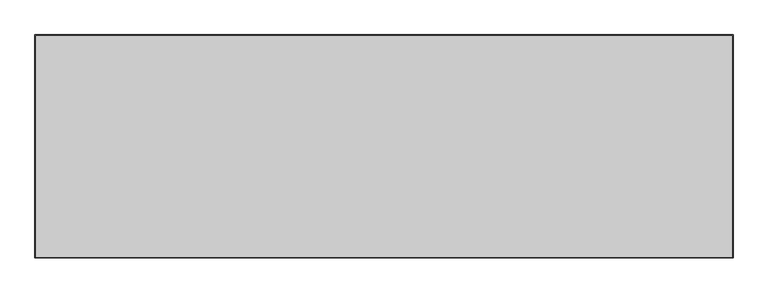
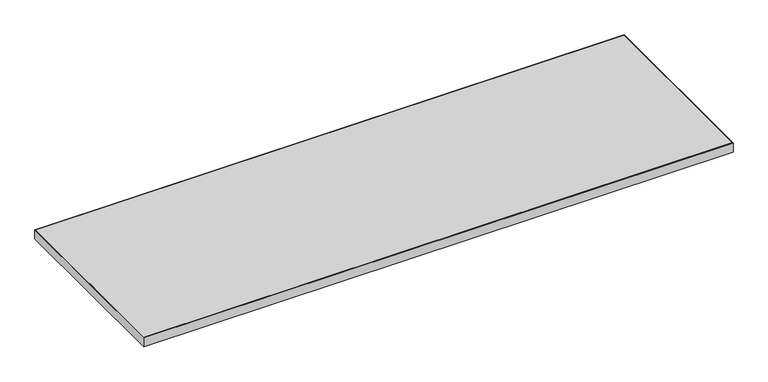
"""IFC4 building model written with IfcOpenShell, lengths in millimetres: furniture geometry."""

from ifc_helpers import new_model, si_unit, frame, origin, place, context, project, spatial, polyline, outline, extrude, source, transform, mapped, element, save


def furniture_9b7cf0bd(model_context):
    return source(origin(), model_context, "Body", "SweptSolid", [
        extrude(outline(polyline([(1361.5273996, 176.2916812), (-461.0242004, 176.2916812), (-461.0242004, 757.2912812), (1361.5273996, 757.2912812), (1361.5273996, 176.2916812)])), frame((0.0, 0.0, 707.0328125), z_axis=(0.0, 0.0, 1.0), x_axis=(1.0, 0.0, 0.0)), (0.0, 0.0, 1.0), 29.5671875),
        extrude(outline(polyline([(1363.1148996, 758.8787812), (1363.1148996, 174.7041812), (-462.6117004, 174.7041812), (-462.6117004, 758.8787812), (1363.1148996, 758.8787812)]), holes=[polyline([(-461.0242004, 757.2912812), (-461.0242004, 176.2916812), (1361.5273996, 176.2916812), (1361.5273996, 757.2912812), (-461.0242004, 757.2912812)])]), frame((0.0, 0.0, 707.009), z_axis=(0.0, 0.0, 1.0), x_axis=(1.0, 0.0, 0.0)), (0.0, 0.0, 1.0), 29.591),
    ])


if __name__ == "__main__":
    model = new_model("IFC4")
    model_context = context("Model", 3, world=origin())
    ifc_project = project(units=[si_unit("LENGTHUNIT", "METRE", prefix="MILLI")], contexts=[model_context])
    site = spatial("IfcSite", under=ifc_project)
    building = spatial("IfcBuilding", under=site)
    placement = place(None, origin())
    furniture_shape = furniture_9b7cf0bd(model_context)
    element("IfcFurniture", 1, at=placement, inside=building, context=model_context, shape_type="MappedRepresentation", body=[
        mapped(furniture_shape, transform((0.0, 0.0, 0.0), x_axis=(1.0, 0.0, 0.0), y_axis=(0.0, 1.0, 0.0), z_axis=(0.0, 0.0, 1.0))),
    ])
    save(model, "model.ifc")
